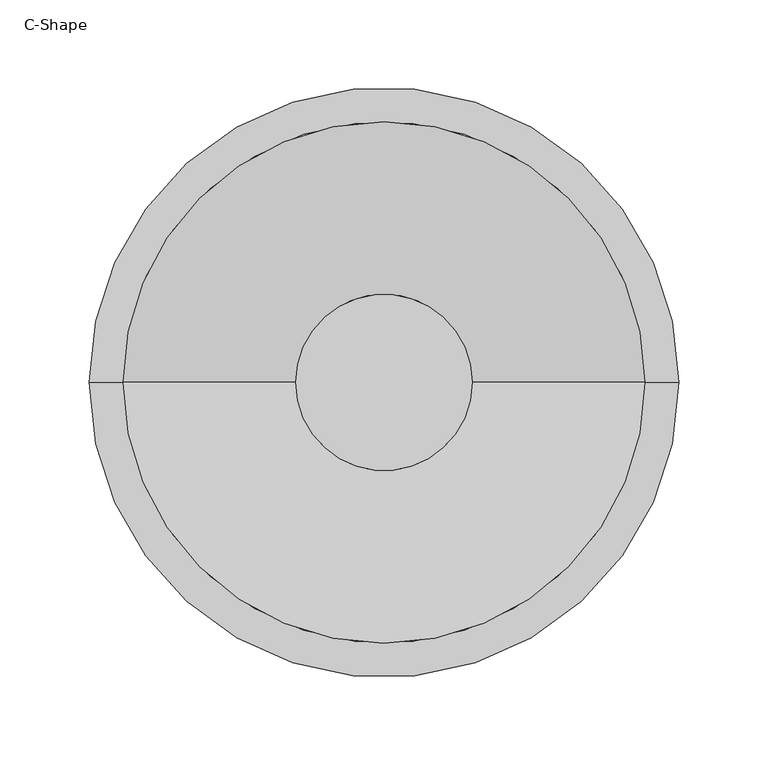
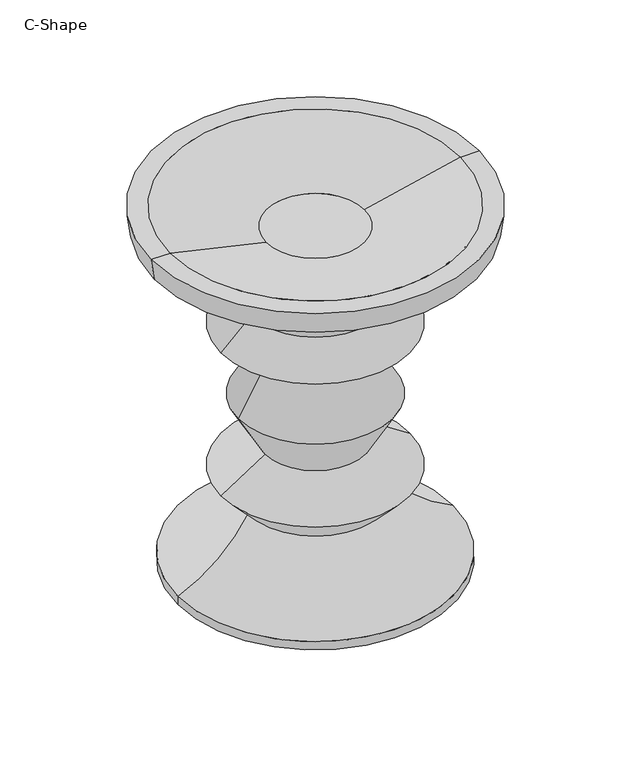
"""IFC4 building model written with IfcOpenShell, lengths in millimetres: furniture geometry, C-Shape."""

from ifc_helpers import new_model, si_unit, point, frame, origin, origin_with_axes, place, context, project, spatial, polyline, circle_curve, ellipse_curve, trimmed, source, transform, mapped, element, save
from ifc_brep_helpers import plane_surface, cylinder_surface, revolved_surface, advanced_brep


def c_shape_e4c40ae5(model_context):
    return source(origin(), model_context, "Body", "AdvancedBrep", [
        advanced_brep(
        [(-49.372327, 0.0, 358.9020029), (49.372327, 0.0, 358.9020029), (-146.049997, 0.0, 381.0), (146.049997, 0.0, 381.0), (165.1000061, 0.0, 381.0), (-165.1000061, 0.0, 381.0), (-130.9877986, 0.0, 0.0), (130.9877986, 0.0, 0.0), (0.0, 0.0, 0.0), (-138.5327868, 0.0, 4.3560999), (138.5327868, 0.0, 4.3560999), (-138.5327868, 0.0, 13.0682998), (138.5327868, 0.0, 13.0682998), (-162.052009, 0.0, 358.9020029), (162.052009, 0.0, 358.9020029), (65.0401004, 0.0, 285.795106), (-65.0401004, 0.0, 285.795106), (-68.2624985, 0.0, 76.2), (68.2624985, 0.0, 76.2), (-95.25, 0.0, 104.9019999), (95.25, 0.0, 104.9019999), (-50.8000015, 0.0, 133.6039998), (50.8000015, 0.0, 133.6039998), (-77.8509984, 0.0, 180.847991), (77.8509984, 0.0, 180.847991), (-50.8000015, 0.0, 228.3460002), (50.8000015, 0.0, 228.3460002), (-95.25, 0.0, 257.047991), (95.25, 0.0, 257.047991)],
        [
            (0, 1, circle_curve(frame((0.0, 0.0, 358.9020029), z_axis=(0.0, 0.0, 1.0), x_axis=(-1.0, 0.0, 0.0)), 49.372327)),
            (1, 0, circle_curve(frame((0.0, 0.0, 358.9020029), z_axis=(0.0, 0.0, 1.0), x_axis=(1.0, 0.0, 0.0)), 49.372327)),
            (0, 2),
            (2, 3, circle_curve(frame((0.0, 0.0, 381.0), z_axis=(0.0, 0.0, 1.0), x_axis=(-1.0, 0.0, 0.0)), 146.049997)),
            (3, 1),
            (3, 2, circle_curve(frame((0.0, 0.0, 381.0), z_axis=(0.0, 0.0, 1.0), x_axis=(1.0, 0.0, 0.0)), 146.049997)),
            (4, 5, circle_curve(frame((0.0, 0.0, 381.0), z_axis=(0.0, 0.0, 1.0), x_axis=(1.0, 0.0, 0.0)), 165.1000061)),
            (5, 2),
            (3, 4),
            (5, 4, circle_curve(frame((0.0, 0.0, 381.0), z_axis=(0.0, 0.0, 1.0), x_axis=(1.0, 0.0, 0.0)), 165.1000061)),
            (6, 7, circle_curve(frame((0.0, 0.0, 0.0), z_axis=(0.0, 0.0, -1.0), x_axis=(1.0, 0.0, 0.0)), 130.9877986)),
            (7, 8),
            (8, 6),
            (7, 6, circle_curve(frame((0.0, 0.0, 0.0), z_axis=(0.0, 0.0, -1.0), x_axis=(1.0, 0.0, 0.0)), 130.9877986)),
            (6, 9),
            (9, 10, circle_curve(frame((0.0, 0.0, 4.3560999), z_axis=(0.0, 0.0, -1.0), x_axis=(1.0, 0.0, 0.0)), 138.5327868)),
            (10, 7),
            (10, 9, circle_curve(frame((0.0, 0.0, 4.3560999), z_axis=(0.0, 0.0, -1.0), x_axis=(1.0, 0.0, 0.0)), 138.5327868)),
            (9, 11),
            (11, 12, circle_curve(frame((0.0, 0.0, 13.0682998), z_axis=(0.0, 0.0, -1.0), x_axis=(1.0, 0.0, 0.0)), 138.5327868)),
            (12, 10),
            (12, 11, circle_curve(frame((0.0, 0.0, 13.0682998), z_axis=(0.0, 0.0, -1.0), x_axis=(1.0, 0.0, 0.0)), 138.5327868)),
            (13, 14, circle_curve(frame((0.0, 0.0, 358.9020029), z_axis=(0.0, 0.0, -1.0), x_axis=(1.0, 0.0, 0.0)), 162.052009)),
            (14, 15, circle_curve(frame((299.8179301, 0.0, 75.1681801), z_axis=(0.0, -1.0, 0.0), x_axis=(1.0, 0.0, 0.0)), 315.4113683)),
            (15, 16, circle_curve(frame((0.0, 0.0, 285.795106), z_axis=(0.0, 0.0, 1.0), x_axis=(1.0, 0.0, 0.0)), 65.0401004)),
            (16, 13, circle_curve(frame((-299.8179301, 0.0, 75.1681801), z_axis=(0.0, -1.0, 0.0), x_axis=(-1.0, 0.0, 0.0)), 315.4113683)),
            (14, 13, circle_curve(frame((0.0, 0.0, 358.9020029), z_axis=(0.0, 0.0, -1.0), x_axis=(1.0, 0.0, 0.0)), 162.052009)),
            (16, 15, circle_curve(frame((0.0, 0.0, 285.795106), z_axis=(0.0, 0.0, 1.0), x_axis=(1.0, 0.0, 0.0)), 65.0401004)),
            (4, 14),
            (13, 5),
            (11, 17, circle_curve(frame((-198.7107996, 0.0, 150.7247985), z_axis=(0.0, -1.0, 0.0), x_axis=(-1.0, 0.0, 0.0)), 150.2354979)),
            (17, 18, circle_curve(frame((0.0, 0.0, 76.2), z_axis=(0.0, 0.0, -1.0), x_axis=(1.0, 0.0, 0.0)), 68.2624985)),
            (18, 12, circle_curve(frame((198.7107996, 0.0, 150.7247985), z_axis=(0.0, -1.0, 0.0), x_axis=(1.0, 0.0, 0.0)), 150.2354979)),
            (18, 17, circle_curve(frame((0.0, 0.0, 76.2), z_axis=(0.0, 0.0, -1.0), x_axis=(1.0, 0.0, 0.0)), 68.2624985)),
            (17, 19),
            (19, 20, circle_curve(frame((0.0, 0.0, 104.9019999), z_axis=(0.0, 0.0, -1.0), x_axis=(1.0, 0.0, 0.0)), 95.25)),
            (20, 18),
            (20, 19, circle_curve(frame((0.0, 0.0, 104.9019999), z_axis=(0.0, 0.0, -1.0), x_axis=(1.0, 0.0, 0.0)), 95.25)),
            (19, 21),
            (21, 22, circle_curve(frame((0.0, 0.0, 133.6039998), z_axis=(0.0, 0.0, -1.0), x_axis=(1.0, 0.0, 0.0)), 50.8000015)),
            (22, 20),
            (22, 21, circle_curve(frame((0.0, 0.0, 133.6039998), z_axis=(0.0, 0.0, -1.0), x_axis=(1.0, 0.0, 0.0)), 50.8000015)),
            (21, 23),
            (23, 24, circle_curve(frame((0.0, 0.0, 180.847991), z_axis=(0.0, 0.0, -1.0), x_axis=(1.0, 0.0, 0.0)), 77.8509984)),
            (24, 22),
            (24, 23, circle_curve(frame((0.0, 0.0, 180.847991), z_axis=(0.0, 0.0, -1.0), x_axis=(1.0, 0.0, 0.0)), 77.8509984)),
            (23, 25),
            (25, 26, circle_curve(frame((0.0, 0.0, 228.3460002), z_axis=(0.0, 0.0, -1.0), x_axis=(1.0, 0.0, 0.0)), 50.8000015)),
            (26, 24),
            (26, 25, circle_curve(frame((0.0, 0.0, 228.3460002), z_axis=(0.0, 0.0, -1.0), x_axis=(1.0, 0.0, 0.0)), 50.8000015)),
            (25, 27),
            (27, 28, circle_curve(frame((0.0, 0.0, 257.047991), z_axis=(0.0, 0.0, -1.0), x_axis=(1.0, 0.0, 0.0)), 95.25)),
            (28, 26),
            (28, 27, circle_curve(frame((0.0, 0.0, 257.047991), z_axis=(0.0, 0.0, -1.0), x_axis=(1.0, 0.0, 0.0)), 95.25)),
            (15, 28),
            (27, 16),
        ],
        [
            plane_surface(frame((0.0, 0.0, 358.9020029), z_axis=(0.0, 0.0, 1.0), x_axis=(0.0, -1.0, 0.0))),
            revolved_surface(polyline([(-146.049997, 0.0, 381.0), (-49.37232699774562, 0.0, 358.9020029)]), (0.0, 0.0, 347.616775), (0.0, 0.0, 1.0)),
            revolved_surface(polyline([(146.049997, 0.0, 381.0), (49.37232699774562, 0.0, 358.9020029)]), (0.0, 0.0, 347.616775), (0.0, 0.0, 1.0)),
            plane_surface(frame((0.0, 0.0, 381.0), z_axis=(0.0, 0.0, 1.0), x_axis=(1.0, 0.0, 0.0))),
            plane_surface(frame((0.0, 0.0, 0.0), z_axis=(0.0, 0.0, -1.0), x_axis=(1.0, 0.0, 0.0))),
            revolved_surface(polyline([(130.9877986, 0.0, 0.0), (138.5327868, 0.0, 4.3560999)]), (0.0, 0.0, 0.0), (0.0, 0.0, 1.0)),
            cylinder_surface(origin_with_axes(), 138.5327868),
            revolved_surface(trimmed(ellipse_curve(frame((299.8179301, 0.0, 75.1681801), z_axis=(0.0, 1.0, 0.0), x_axis=(1.0, 0.0, 0.0)), 315.4113683, 315.4113683), [point((65.0401004, 0.0, 285.795106))], [point((162.052009, 0.0, 358.9020029))], True, "CARTESIAN"), (0.0, 0.0, 0.0), (0.0, 0.0, 1.0)),
            revolved_surface(polyline([(162.052009, 0.0, 358.9020029), (165.1000061, 0.0, 381.0)]), (0.0, 0.0, 0.0), (0.0, 0.0, 1.0)),
            revolved_surface(trimmed(ellipse_curve(frame((198.7107996, 0.0, 150.7247985), z_axis=(0.0, 1.0, 0.0), x_axis=(1.0, 0.0, 0.0)), 150.2354979, 150.2354979), [point((138.5327868, 0.0, 13.0682998))], [point((68.2624985, 0.0, 76.2))], True, "CARTESIAN"), (0.0, 0.0, 0.0), (0.0, 0.0, 1.0)),
            revolved_surface(polyline([(68.2624985, 0.0, 76.2), (95.25, 0.0, 104.9019999)]), (0.0, 0.0, 0.0), (0.0, 0.0, 1.0)),
            revolved_surface(polyline([(95.25, 0.0, 104.9019999), (50.8000015, 0.0, 133.6039998)]), (0.0, 0.0, 0.0), (0.0, 0.0, 1.0)),
            revolved_surface(polyline([(50.8000015, 0.0, 133.6039998), (77.8509984, 0.0, 180.847991)]), (0.0, 0.0, 0.0), (0.0, 0.0, 1.0)),
            revolved_surface(polyline([(77.8509984, 0.0, 180.847991), (50.8000015, 0.0, 228.3460002)]), (0.0, 0.0, 0.0), (0.0, 0.0, 1.0)),
            revolved_surface(polyline([(50.8000015, 0.0, 228.3460002), (95.25, 0.0, 257.047991)]), (0.0, 0.0, 0.0), (0.0, 0.0, 1.0)),
            revolved_surface(polyline([(95.25, 0.0, 257.047991), (65.0401004, 0.0, 285.795106)]), (0.0, 0.0, 0.0), (0.0, 0.0, 1.0)),
        ],
        [
            (0, [[1, 2]]),
            (1, [[-1, 3, 4, 5]]),
            (2, [[-2, -5, 6, -3]]),
            (3, [[7, 8, -6, 9]]),
            (3, [[10, -9, -4, -8]]),
            (4, [[11, 12, 13]]),
            (4, [[-12, 14, -13]]),
            (5, [[-11, 15, 16, 17]]),
            (5, [[-14, -17, 18, -15]]),
            (6, [[-16, 19, 20, 21]]),
            (6, [[-18, -21, 22, -19]]),
            (7, [[23, 24, 25, 26]]),
            (7, [[-24, 27, -26, 28]]),
            (8, [[-7, 29, -23, 30]]),
            (8, [[-10, -30, -27, -29]]),
            (9, [[-20, 31, 32, 33]]),
            (9, [[-22, -33, 34, -31]]),
            (10, [[-32, 35, 36, 37]]),
            (10, [[-34, -37, 38, -35]]),
            (11, [[-36, 39, 40, 41]]),
            (11, [[-38, -41, 42, -39]]),
            (12, [[-40, 43, 44, 45]]),
            (12, [[-42, -45, 46, -43]]),
            (13, [[-44, 47, 48, 49]]),
            (13, [[-46, -49, 50, -47]]),
            (14, [[-48, 51, 52, 53]]),
            (14, [[-50, -53, 54, -51]]),
            (15, [[-25, 55, -52, 56]]),
            (15, [[-28, -56, -54, -55]]),
        ],
    ),
    ])


if __name__ == "__main__":
    model = new_model("IFC4")
    model_context = context("Model", 3, world=origin())
    ifc_project = project(units=[si_unit("LENGTHUNIT", "METRE", prefix="MILLI")], contexts=[model_context])
    site = spatial("IfcSite", under=ifc_project)
    building = spatial("IfcBuilding", under=site)
    placement = place(None, origin())
    c_shape_shape = c_shape_e4c40ae5(model_context)
    element("IfcFurniture", 1, ObjectType="C-Shape", at=placement, inside=building, context=model_context, shape_type="MappedRepresentation", body=[
        mapped(c_shape_shape, transform((0.0, 0.0, 0.0), x_axis=(1.0, 0.0, 0.0), y_axis=(0.0, 1.0, 0.0), z_axis=(0.0, 0.0, 1.0))),
    ])
    save(model, "model.ifc")
